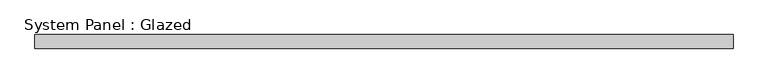
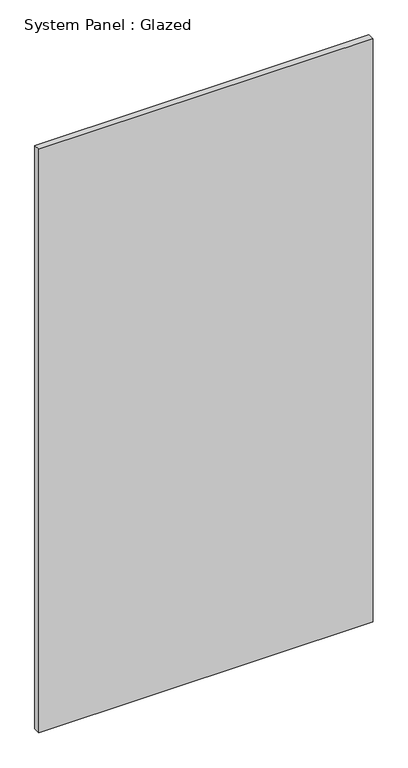
"""IFC4 building model written with IfcOpenShell, lengths in millimetres: plate geometry, System Panel : Glazed."""

from ifc_helpers import new_model, si_unit, origin, origin_with_axes, place, context, project, spatial, polyline, outline, extrude, source, transform, mapped, element, save


def system_panel_glazed_ca053dda(model_context):
    return source(origin(), model_context, "Body", "SweptSolid", [
        extrude(outline(polyline([(635.0, 19.05), (-635.0, 19.05), (-635.0, 44.45), (635.0, 44.45), (635.0, 19.05)])), origin_with_axes(), (0.0, 0.0, 1.0), 2343.15),
    ])


if __name__ == "__main__":
    model = new_model("IFC4")
    model_context = context("Model", 3, world=origin())
    ifc_project = project(units=[si_unit("LENGTHUNIT", "METRE", prefix="MILLI")], contexts=[model_context])
    site = spatial("IfcSite", under=ifc_project)
    building = spatial("IfcBuilding", under=site)
    placement = place(None, origin())
    system_panel_glazed_shape = system_panel_glazed_ca053dda(model_context)
    element("IfcPlate", 1, ObjectType="System Panel : Glazed", at=placement, inside=building, context=model_context, shape_type="MappedRepresentation", body=[
        mapped(system_panel_glazed_shape, transform((0.0, 0.0, 0.0), x_axis=(1.0, 0.0, 0.0), y_axis=(0.0, 1.0, 0.0), z_axis=(0.0, 0.0, 1.0))),
    ])
    save(model, "model.ifc")
